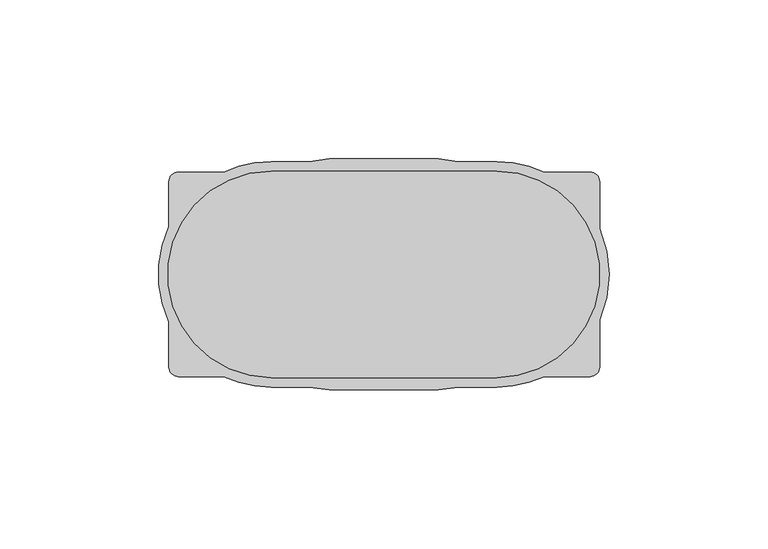
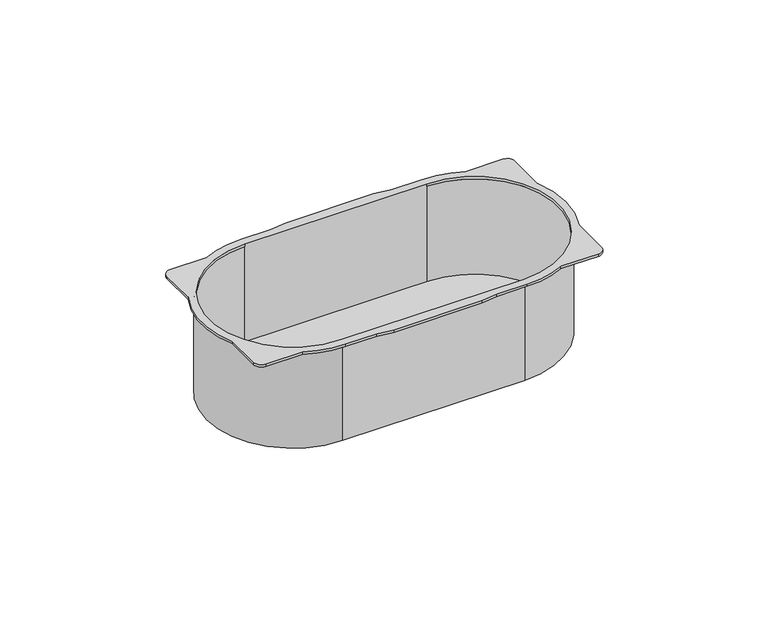
"""IFC4 building model written with IfcOpenShell, lengths in millimetres: proxy geometry."""

from ifc_helpers import new_model, si_unit, point, frame, frame_2d, origin, place, context, project, spatial, polyline, circle_curve, trimmed, segment, composite_curve, outline, extrude, source, transform, mapped, element, save
from ifc_brep_helpers import plane_surface, cylinder_surface, revolved_surface, advanced_brep


def electrical_fixtures_3d47616f(model_context):
    return source(origin(), model_context, "Body", "SolidModel", [
        advanced_brep(
        [(-35.5, 33.5, -40.0), (35.5012828, 33.5, -40.0), (35.5012828, -33.5, -40.0), (-35.5, -33.5, -40.0), (-35.5, 32.5, -40.0), (-35.5, -32.5, -40.0), (35.5012828, -32.5, -40.0), (35.5012828, 32.5, -40.0), (67.9725964, -14.3479544, 1.0), (67.9725964, 14.3479544, 1.0), (67.9725964, 29.1875, 1.0), (64.9725964, 32.1875, 1.0), (50.475088, 32.1875, 1.0), (35.5012828, 35.5, 1.0), (23.5182585, 35.5, 1.0), (17.1783104, 36.4, 1.0), (-17.1783104, 36.4, 1.0), (-23.5182585, 35.5, 1.0), (-35.5, 35.5, 1.0), (-50.4738053, 32.1875, 1.0), (-64.6875, 32.1875, 1.0), (-67.6875, 29.1875, 1.0), (-67.6875, 14.9738053, 1.0), (-67.6875, -14.9738053, 1.0), (-67.6875, -29.1875, 1.0), (-64.6875, -32.1875, 1.0), (-50.4738053, -32.1875, 1.0), (-35.5, -35.5, 1.0), (-23.5182585, -35.5, 1.0), (-17.1783104, -36.4, 1.0), (17.1783104, -36.4, 1.0), (23.5182585, -35.5, 1.0), (35.5012828, -35.5, 1.0), (50.475088, -32.1875, 1.0), (64.9725964, -32.1875, 1.0), (67.9725964, -29.1875, 1.0), (35.5012828, 32.5, 1.0), (35.5012828, -32.5, 1.0), (-35.5, -32.5, 1.0), (-35.5, 32.5, 1.0), (67.9725964, -14.3479544, 0.0), (67.9725964, -29.1875, 0.0), (64.9725964, -32.1875, 0.0), (50.475088, -32.1875, 0.0), (35.5012828, -35.5, 0.0), (23.5182585, -35.5, 0.0), (17.1783104, -36.4, 0.0), (-17.1783104, -36.4, 0.0), (-23.5182585, -35.5, 0.0), (-35.5, -35.5, 0.0), (-50.4738053, -32.1875, 0.0), (-64.6875, -32.1875, 0.0), (-67.6875, -29.1875, 0.0), (-67.6875, -14.9738053, 0.0), (-67.6875, 14.9738053, 0.0), (-67.6875, 29.1875, 0.0), (-64.6875, 32.1875, 0.0), (-50.4738053, 32.1875, 0.0), (-35.5, 35.5, 0.0), (-23.5182585, 35.5, 0.0), (-17.1783104, 36.4, 0.0), (17.1783104, 36.4, 0.0), (23.5182585, 35.5, 0.0), (35.5012828, 35.5, 0.0), (50.475088, 32.1875, 0.0), (64.9725964, 32.1875, 0.0), (67.9725964, 29.1875, 0.0), (67.9725964, 14.3479544, 0.0), (-35.5, 33.5, 0.0), (-35.5, -33.5, 0.0), (35.5012828, -33.5, 0.0), (35.5012828, 33.5, 0.0), (35.5012828, 32.5, 0.0), (35.5012828, -32.5, 0.0), (-35.5, -32.5, 0.0), (-35.5, 32.5, 0.0)],
        [
            (0, 1),
            (1, 2, circle_curve(frame((35.5012828, 0.0, -40.0), z_axis=(0.0, 0.0, -1.0), x_axis=(1.0, 0.0, 0.0)), 33.5)),
            (2, 3),
            (3, 0, circle_curve(frame((-35.5, 0.0, -40.0), z_axis=(0.0, 0.0, -1.0), x_axis=(-1.0, 0.0, 0.0)), 33.5)),
            (4, 5, circle_curve(frame((-35.5, 0.0, -40.0), z_axis=(0.0, 0.0, 1.0), x_axis=(-1.0, 0.0, 0.0)), 32.5)),
            (5, 6),
            (6, 7, circle_curve(frame((35.5012828, 0.0, -40.0), z_axis=(0.0, 0.0, 1.0), x_axis=(1.0, 0.0, 0.0)), 32.5)),
            (7, 4),
            (8, 9, circle_curve(frame((35.5012828, 0.0, 1.0), z_axis=(0.0, 0.0, 1.0), x_axis=(1.0, 0.0, 0.0)), 35.5)),
            (9, 10),
            (10, 11, circle_curve(frame((64.9725964, 29.1875, 1.0), z_axis=(0.0, 0.0, 1.0), x_axis=(-1.0, 0.0, 0.0)), 3.0)),
            (11, 12),
            (12, 13, circle_curve(frame((35.5012828, 0.0, 1.0), z_axis=(0.0, 0.0, 1.0), x_axis=(1.0, 0.0, 0.0)), 35.5)),
            (13, 14),
            (14, 15),
            (15, 16),
            (16, 17),
            (17, 18),
            (18, 19, circle_curve(frame((-35.5, 0.0, 1.0), z_axis=(0.0, 0.0, 1.0), x_axis=(-1.0, 0.0, 0.0)), 35.5)),
            (19, 20),
            (20, 21, circle_curve(frame((-64.6875, 29.1875, 1.0), z_axis=(0.0, 0.0, 1.0), x_axis=(1.0, 0.0, 0.0)), 3.0)),
            (21, 22),
            (22, 23, circle_curve(frame((-35.5, 0.0, 1.0), z_axis=(0.0, 0.0, 1.0), x_axis=(-1.0, 0.0, 0.0)), 35.5)),
            (23, 24),
            (24, 25, circle_curve(frame((-64.6875, -29.1875, 1.0), z_axis=(0.0, 0.0, 1.0), x_axis=(1.0, 0.0, 0.0)), 3.0)),
            (25, 26),
            (26, 27, circle_curve(frame((-35.5, 0.0, 1.0), z_axis=(0.0, 0.0, 1.0), x_axis=(-1.0, 0.0, 0.0)), 35.5)),
            (27, 28),
            (28, 29),
            (29, 30),
            (30, 31),
            (31, 32),
            (32, 33, circle_curve(frame((35.5012828, 0.0, 1.0), z_axis=(0.0, 0.0, 1.0), x_axis=(1.0, 0.0, 0.0)), 35.5)),
            (33, 34),
            (34, 35, circle_curve(frame((64.9725964, -29.1875, 1.0), z_axis=(0.0, 0.0, 1.0), x_axis=(-1.0, 0.0, 0.0)), 3.0)),
            (35, 8),
            (36, 37, circle_curve(frame((35.5012828, 0.0, 1.0), z_axis=(0.0, 0.0, -1.0), x_axis=(1.0, 0.0, 0.0)), 32.5)),
            (37, 38),
            (38, 39, circle_curve(frame((-35.5, 0.0, 1.0), z_axis=(0.0, 0.0, -1.0), x_axis=(-1.0, 0.0, 0.0)), 32.5)),
            (39, 36),
            (40, 41),
            (41, 42, circle_curve(frame((64.9725964, -29.1875, 0.0), z_axis=(0.0, 0.0, -1.0), x_axis=(-1.0, 0.0, 0.0)), 3.0)),
            (42, 43),
            (43, 44, circle_curve(frame((35.5012828, 0.0, 0.0), z_axis=(0.0, 0.0, -1.0), x_axis=(1.0, 0.0, 0.0)), 35.5)),
            (44, 45),
            (45, 46),
            (46, 47),
            (47, 48),
            (48, 49),
            (49, 50, circle_curve(frame((-35.5, 0.0, 0.0), z_axis=(0.0, 0.0, -1.0), x_axis=(-1.0, 0.0, 0.0)), 35.5)),
            (50, 51),
            (51, 52, circle_curve(frame((-64.6875, -29.1875, 0.0), z_axis=(0.0, 0.0, -1.0), x_axis=(1.0, 0.0, 0.0)), 3.0)),
            (52, 53),
            (53, 54, circle_curve(frame((-35.5, 0.0, 0.0), z_axis=(0.0, 0.0, -1.0), x_axis=(-1.0, 0.0, 0.0)), 35.5)),
            (54, 55),
            (55, 56, circle_curve(frame((-64.6875, 29.1875, 0.0), z_axis=(0.0, 0.0, -1.0), x_axis=(1.0, 0.0, 0.0)), 3.0)),
            (56, 57),
            (57, 58, circle_curve(frame((-35.5, 0.0, 0.0), z_axis=(0.0, 0.0, -1.0), x_axis=(-1.0, 0.0, 0.0)), 35.5)),
            (58, 59),
            (59, 60),
            (60, 61),
            (61, 62),
            (62, 63),
            (63, 64, circle_curve(frame((35.5012828, 0.0, 0.0), z_axis=(0.0, 0.0, -1.0), x_axis=(1.0, 0.0, 0.0)), 35.5)),
            (64, 65),
            (65, 66, circle_curve(frame((64.9725964, 29.1875, 0.0), z_axis=(0.0, 0.0, -1.0), x_axis=(-1.0, 0.0, 0.0)), 3.0)),
            (66, 67),
            (67, 40, circle_curve(frame((35.5012828, 0.0, 0.0), z_axis=(0.0, 0.0, -1.0), x_axis=(1.0, 0.0, 0.0)), 35.5)),
            (68, 69, circle_curve(frame((-35.5, 0.0, 0.0), z_axis=(0.0, 0.0, 1.0), x_axis=(-1.0, 0.0, 0.0)), 33.5)),
            (69, 70),
            (70, 71, circle_curve(frame((35.5012828, 0.0, 0.0), z_axis=(0.0, 0.0, 1.0), x_axis=(1.0, 0.0, 0.0)), 33.5)),
            (71, 68),
            (35, 41),
            (40, 8),
            (10, 66),
            (65, 11),
            (64, 12),
            (33, 43),
            (42, 34),
            (9, 67),
            (63, 13),
            (32, 44),
            (62, 14),
            (18, 58),
            (57, 19),
            (56, 20),
            (55, 21),
            (54, 22),
            (53, 23),
            (52, 24),
            (51, 25),
            (50, 26),
            (49, 27),
            (31, 45),
            (36, 72),
            (72, 73, circle_curve(frame((35.5012828, 0.0, 0.0), z_axis=(0.0, 0.0, -1.0), x_axis=(1.0, 0.0, 0.0)), 32.5)),
            (73, 37),
            (38, 74),
            (74, 75, circle_curve(frame((-35.5, 0.0, 0.0), z_axis=(0.0, 0.0, -1.0), x_axis=(-1.0, 0.0, 0.0)), 32.5)),
            (75, 39),
            (3, 69),
            (68, 0),
            (2, 70),
            (1, 71),
            (7, 72),
            (75, 4),
            (6, 73),
            (5, 74),
            (61, 15),
            (60, 16),
            (59, 17),
            (48, 28),
            (47, 29),
            (46, 30),
        ],
        [
            plane_surface(frame((-69.0, 0.0, -40.0), z_axis=(0.0, 0.0, -1.0), x_axis=(0.0, 1.0, 0.0))),
            plane_surface(frame((71.0012828, 0.0, 1.0), z_axis=(0.0, 0.0, 1.0), x_axis=(0.0, 1.0, 0.0))),
            plane_surface(frame((71.0012828, 0.0, 0.0), z_axis=(0.0, 0.0, -1.0), x_axis=(0.0, -1.0, 0.0))),
            plane_surface(frame((67.9725964, -29.1875, 1.0), z_axis=(1.0, 0.0, 0.0), x_axis=(0.0, 0.0, -1.0))),
            cylinder_surface(frame((64.9725964, 29.1875, 0.0), z_axis=(0.0, 0.0, 1.0), x_axis=(-1.0, 0.0, 0.0)), 3.0),
            plane_surface(frame((64.9725964, 32.1875, 1.0), z_axis=(0.0, 1.0, 0.0), x_axis=(0.0, 0.0, -1.0))),
            plane_surface(frame((50.475088, -32.1875, 1.0), z_axis=(0.0, -1.0, 0.0), x_axis=(0.0, 0.0, -1.0))),
            cylinder_surface(frame((64.9725964, -29.1875, 0.0), z_axis=(0.0, 0.0, 1.0), x_axis=(-1.0, 0.0, 0.0)), 3.0),
            plane_surface(frame((67.9725964, 14.3479544, 1.0), z_axis=(1.0, 0.0, 0.0), x_axis=(0.0, 0.0, -1.0))),
            cylinder_surface(frame((35.5012828, 0.0, 0.0), z_axis=(0.0, 0.0, 1.0), x_axis=(1.0, 0.0, 0.0)), 35.5),
            plane_surface(frame((35.5012828, 35.5, 1.0), z_axis=(0.0, 1.0, 0.0), x_axis=(0.0, 0.0, -1.0))),
            cylinder_surface(frame((-35.5, 0.0, 0.0), z_axis=(0.0, 0.0, 1.0), x_axis=(-1.0, 0.0, 0.0)), 35.5),
            plane_surface(frame((-50.4738053, 32.1875, 1.0), z_axis=(0.0, 1.0, 0.0), x_axis=(0.0, 0.0, -1.0))),
            cylinder_surface(frame((-64.6875, 29.1875, 0.0), z_axis=(0.0, 0.0, 1.0), x_axis=(1.0, 0.0, 0.0)), 3.0),
            plane_surface(frame((-67.6875, 29.1875, 1.0), z_axis=(-1.0, 0.0, 0.0), x_axis=(0.0, 0.0, -1.0))),
            plane_surface(frame((-67.6875, -14.9738053, 1.0), z_axis=(-1.0, 0.0, 0.0), x_axis=(0.0, 0.0, -1.0))),
            cylinder_surface(frame((-64.6875, -29.1875, 0.0), z_axis=(0.0, 0.0, 1.0), x_axis=(1.0, 0.0, 0.0)), 3.0),
            plane_surface(frame((-64.6875, -32.1875, 1.0), z_axis=(0.0, -1.0, 0.0), x_axis=(0.0, 0.0, -1.0))),
            plane_surface(frame((23.5182585, -35.5, 1.0), z_axis=(0.0, -1.0, 0.0), x_axis=(0.0, 0.0, -1.0))),
            revolved_surface(polyline([(68.0012828, 0.0, 0.0), (68.0012828, 0.0, 1.0)]), (35.5012828, 0.0, 0.0), (0.0, 0.0, -1.0)),
            revolved_surface(polyline([(-68.0, 0.0, 0.0), (-68.0, 0.0, 1.0)]), (-35.5, 0.0, 0.0), (0.0, 0.0, -1.0)),
            cylinder_surface(frame((-35.5, 0.0, -40.0), z_axis=(0.0, 0.0, 1.0), x_axis=(-1.0, 0.0, 0.0)), 33.5),
            plane_surface(frame((-35.5, -33.5, 0.0), z_axis=(0.0, -1.0, 0.0), x_axis=(0.0, 0.0, -1.0))),
            cylinder_surface(frame((35.5012828, 0.0, -40.0), z_axis=(0.0, 0.0, 1.0), x_axis=(1.0, 0.0, 0.0)), 33.5),
            plane_surface(frame((35.5012828, 33.5, 0.0), z_axis=(0.0, 1.0, 0.0), x_axis=(0.0, 0.0, -1.0))),
            plane_surface(frame((-35.5, 32.5, 0.0), z_axis=(0.0, -1.0, 0.0), x_axis=(0.0, 0.0, -1.0))),
            revolved_surface(polyline([(68.0012828, 0.0, -40.0), (68.0012828, 0.0, 0.0)]), (35.5012828, 0.0, 0.0), (0.0, 0.0, -1.0)),
            plane_surface(frame((35.5012828, -32.5, 0.0), z_axis=(0.0, 1.0, 0.0), x_axis=(0.0, 0.0, -1.0))),
            revolved_surface(polyline([(-68.0, 0.0, -40.0), (-68.0, 0.0, 0.0)]), (-35.5, 0.0, 0.0), (0.0, 0.0, -1.0)),
            plane_surface(frame((23.5182585, 35.5, 1.0), z_axis=(0.14054791471914727, 0.990073877883918, 0.0), x_axis=(0.0, 0.0, -1.0))),
            plane_surface(frame((17.1783104, 36.4, 1.0), z_axis=(0.0, 1.0, 0.0), x_axis=(0.0, 0.0, -1.0))),
            plane_surface(frame((-17.1783104, 36.4, 1.0), z_axis=(-0.1405479147191475, 0.990073877883918, 0.0), x_axis=(0.0, 0.0, -1.0))),
            plane_surface(frame((-23.5182585, 35.5, 1.0), z_axis=(0.0, 1.0, 0.0), x_axis=(0.0, 0.0, -1.0))),
            plane_surface(frame((-35.5, -35.5, 1.0), z_axis=(0.0, -1.0, 0.0), x_axis=(0.0, 0.0, -1.0))),
            plane_surface(frame((-23.5182585, -35.5, 1.0), z_axis=(-0.14054791471914765, -0.990073877883918, 0.0), x_axis=(0.0, 0.0, -1.0))),
            plane_surface(frame((-17.1783104, -36.4, 1.0), z_axis=(0.0, -1.0, 0.0), x_axis=(0.0, 0.0, -1.0))),
            plane_surface(frame((17.1783104, -36.4, 1.0), z_axis=(0.14054791471914707, -0.9900738778839181, 0.0), x_axis=(0.0, 0.0, -1.0))),
        ],
        [
            (0, [[1, 2, 3, 4], [5, 6, 7, 8]]),
            (1, [[9, 10, 11, 12, 13, 14, 15, 16, 17, 18, 19, 20, 21, 22, 23, 24, 25, 26, 27, 28, 29, 30, 31, 32, 33, 34, 35, 36], [37, 38, 39, 40]]),
            (2, [[41, 42, 43, 44, 45, 46, 47, 48, 49, 50, 51, 52, 53, 54, 55, 56, 57, 58, 59, 60, 61, 62, 63, 64, 65, 66, 67, 68], [69, 70, 71, 72]]),
            (3, [[-36, 73, -41, 74]]),
            (4, [[-11, 75, -66, 76]]),
            (5, [[-12, -76, -65, 77]]),
            (6, [[-34, 78, -43, 79]]),
            (7, [[-35, -79, -42, -73]]),
            (8, [[-10, 80, -67, -75]]),
            (9, [[-9, -74, -68, -80]]),
            (9, [[-13, -77, -64, 81]]),
            (9, [[-33, 82, -44, -78]]),
            (10, [[-14, -81, -63, 83]]),
            (11, [[-19, 84, -58, 85]]),
            (12, [[-20, -85, -57, 86]]),
            (13, [[-21, -86, -56, 87]]),
            (14, [[-22, -87, -55, 88]]),
            (11, [[-23, -88, -54, 89]]),
            (15, [[-24, -89, -53, 90]]),
            (16, [[-25, -90, -52, 91]]),
            (17, [[-26, -91, -51, 92]]),
            (11, [[-27, -92, -50, 93]]),
            (18, [[-32, 94, -45, -82]]),
            (19, [[-37, 95, 96, 97]]),
            (20, [[-39, 98, 99, 100]]),
            (21, [[-4, 101, -69, 102]]),
            (22, [[-3, 103, -70, -101]]),
            (23, [[-2, 104, -71, -103]]),
            (24, [[-1, -102, -72, -104]]),
            (25, [[-8, 105, -95, -40, -100, 106]]),
            (26, [[-7, 107, -96, -105]]),
            (27, [[-6, 108, -98, -38, -97, -107]]),
            (28, [[-5, -106, -99, -108]]),
            (29, [[-15, -83, -62, 109]]),
            (30, [[-16, -109, -61, 110]]),
            (31, [[-17, -110, -60, 111]]),
            (32, [[-18, -111, -59, -84]]),
            (33, [[-28, -93, -49, 112]]),
            (34, [[-29, -112, -48, 113]]),
            (35, [[-30, -113, -47, 114]]),
            (36, [[-31, -114, -46, -94]]),
        ],
    ),
        extrude(outline(composite_curve([segment(polyline([(-35.5, 32.5), (35.5012828, 32.5)]), True, "CONTINUOUS"), segment(trimmed(circle_curve(frame_2d((35.5012828, 0.0)), 32.5), [point((35.5012828, 32.5))], [point((35.5012828, -32.5))], False, "CARTESIAN"), True, "CONTINUOUS"), segment(polyline([(35.5012828, -32.5), (-35.5, -32.5)]), True, "CONTINUOUS"), segment(trimmed(circle_curve(frame_2d((-35.5, 0.0)), 32.5), [point((-35.5, -32.5))], [point((-35.5, 32.5))], False, "CARTESIAN"), True, "CONTINUOUS")], self_intersect=False)), frame((0.0, 0.0, -40.0), z_axis=(0.0, 0.0, 1.0), x_axis=(1.0, 0.0, 0.0)), (0.0, 0.0, 1.0), 1.0),
    ])


if __name__ == "__main__":
    model = new_model("IFC4")
    model_context = context("Model", 3, world=origin())
    ifc_project = project(units=[si_unit("LENGTHUNIT", "METRE", prefix="MILLI")], contexts=[model_context])
    site = spatial("IfcSite", under=ifc_project)
    building = spatial("IfcBuilding", under=site)
    placement = place(None, origin())
    electrical_fixtures_shape = electrical_fixtures_3d47616f(model_context)
    element("IfcBuildingElementProxy", 1, Name="Electrical Fixtures", at=placement, inside=building, context=model_context, shape_type="MappedRepresentation", body=[
        mapped(electrical_fixtures_shape, transform((0.0, 0.0, 0.0), x_axis=(1.0, 0.0, 0.0), y_axis=(0.0, 1.0, 0.0), z_axis=(0.0, 0.0, 1.0))),
    ])
    save(model, "model.ifc")
